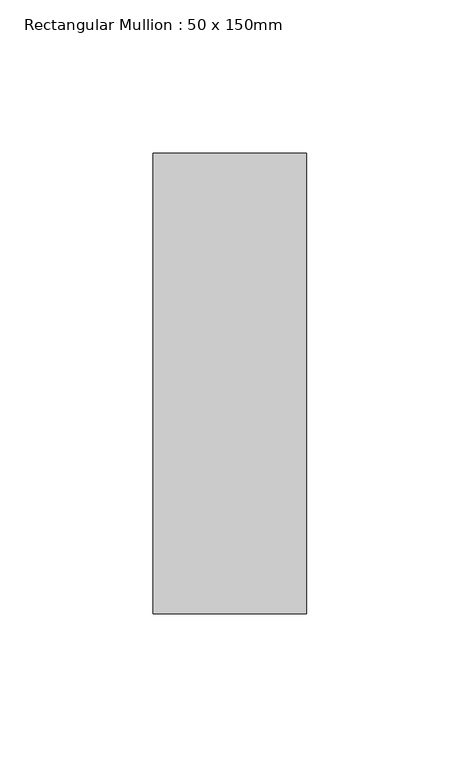
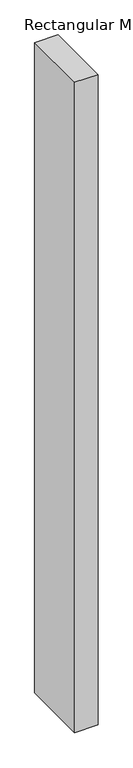
"""IFC4 building model written with IfcOpenShell, lengths in millimetres: member geometry, Rectangular Mullion : 50 x 150mm."""

import ifcopenshell
import ifcopenshell.guid

model = None  # the IFC model being written
_history = None  # IfcOwnerHistory: only IFC2X3 demands one
_inside = {}  # id of a spatial element -> (the spatial element, [elements in it])
_under = {}  # id of a project, library or spatial element -> (it, [spatial elements below it])
_declared = {}  # id of a project -> (the project, [libraries it declares])
_typed = {}  # id of a type object -> (the type object, [elements of that type])
_made_of = {}  # id of a material, layer set ... -> (it, [elements and type objects made of it])


def new_model(schema):
    """Start an empty IFC model of exactly this schema.

    Asked for "IFC4X3", IfcOpenShell would pick the latest addendum, in which some entities
    have other attributes; the version numbers below select the first issue.
    IFC2X3 requires an IfcOwnerHistory on every rooted entity: one is made here for all.
    """
    global model, _history
    if schema == "IFC4X3":
        model = ifcopenshell.file(schema_version=(4, 3, 0, 0))
    else:
        model = ifcopenshell.file(schema=schema)
    _inside.clear()
    _under.clear()
    _declared.clear()
    _typed.clear()
    _made_of.clear()
    _history = None
    if model.schema == "IFC2X3":
        org = make("IfcOrganization", Name="unknown")
        user = make(
            "IfcPersonAndOrganization",
            ThePerson=make("IfcPerson", FamilyName="unknown"),
            TheOrganization=org,
        )
        app = make(
            "IfcApplication",
            ApplicationDeveloper=org,
            Version="unknown",
            ApplicationFullName="unknown",
            ApplicationIdentifier="unknown",
        )
        _history = make(
            "IfcOwnerHistory",
            OwningUser=user,
            OwningApplication=app,
            ChangeAction="ADDED",
            CreationDate=0,
        )
    return model


def make(cls, **values):
    """One entity of the class cls with the attributes given. An attribute that is None is left unset."""
    return model.create_entity(
        cls, **{name: value for name, value in values.items() if value is not None}
    )


def rooted(cls, **values):
    """An entity with a GlobalId (a new one), such as an element, a storey or a relation."""
    return make(cls, GlobalId=ifcopenshell.guid.new(), OwnerHistory=_history, **values)


def si_unit(unit_type, name, prefix=None):
    """IfcSIUnit, for example si_unit("LENGTHUNIT", "METRE", prefix="MILLI")."""
    return make("IfcSIUnit", UnitType=unit_type, Prefix=prefix, Name=name)


def assignment(units):
    """IfcUnitAssignment: the units of a project."""
    return None if units is None else make("IfcUnitAssignment", Units=units)


def point(xyz):
    """IfcCartesianPoint."""
    return None if xyz is None else make("IfcCartesianPoint", Coordinates=xyz)


def direction(xyz):
    """IfcDirection."""
    return None if xyz is None else make("IfcDirection", DirectionRatios=xyz)


def frame(location, z_axis=None, x_axis=None):
    """IfcAxis2Placement3D, a coordinate frame: its origin and axes. An axis left out is left unset."""
    return make(
        "IfcAxis2Placement3D",
        Location=point(location),
        Axis=direction(z_axis),
        RefDirection=direction(x_axis),
    )


def origin():
    """The frame at (0, 0, 0) with its axes left unset."""
    return frame((0.0, 0.0, 0.0))


def place(relative_to, where):
    """IfcLocalPlacement: puts the frame where relative to a parent placement (None: the world)."""
    return make(
        "IfcLocalPlacement", PlacementRelTo=relative_to, RelativePlacement=where
    )


def context(
    kind, dimensions, precision=None, world=None, true_north=None, identifier=None
):
    """IfcGeometricRepresentationContext, for example the 3D "Model" context."""
    return make(
        "IfcGeometricRepresentationContext",
        ContextIdentifier=identifier,
        ContextType=kind,
        CoordinateSpaceDimension=dimensions,
        Precision=precision,
        WorldCoordinateSystem=world,
        TrueNorth=true_north,
    )


def project(units=None, contexts=None):
    """IfcProject with its units and contexts."""
    return rooted(
        "IfcProject",
        Name="project",
        RepresentationContexts=contexts,
        UnitsInContext=assignment(units),
    )


def spatial(cls, under=None, at=None, **own):
    """A site, building, storey or space (cls), placed at a placement, below another one or the project."""
    s = rooted(cls, ObjectPlacement=at, **own)
    if under is not None:
        _under.setdefault(under.id(), (under, []))[1].append(s)
    return s


def polyline(points):
    """IfcPolyline through the points."""
    return make("IfcPolyline", Points=[point(p) for p in points])


def outline(outer, holes=None, kind="AREA"):
    """IfcArbitraryClosedProfileDef: a profile drawn as a closed curve; with holes, ...WithVoids."""
    if holes is None:
        return make("IfcArbitraryClosedProfileDef", ProfileType=kind, OuterCurve=outer)
    return make(
        "IfcArbitraryProfileDefWithVoids",
        ProfileType=kind,
        OuterCurve=outer,
        InnerCurves=holes,
    )


def extrude(swept, where, along, depth):
    """IfcExtrudedAreaSolid: the profile swept, set in the frame where, extruded along a direction by depth."""
    return make(
        "IfcExtrudedAreaSolid",
        SweptArea=swept,
        Position=where,
        ExtrudedDirection=direction(along),
        Depth=depth,
    )


def shape(context_of_items, identifier, shape_type, items):
    """IfcShapeRepresentation: the items that make up one representation, for example the "Body"."""
    return make(
        "IfcShapeRepresentation",
        ContextOfItems=context_of_items,
        RepresentationIdentifier=identifier,
        RepresentationType=shape_type,
        Items=items,
    )


def source(mapping_origin, context_of_items, identifier, shape_type, items):
    """IfcRepresentationMap: a shape defined once, which mapped items show again and again."""
    return make(
        "IfcRepresentationMap",
        MappingOrigin=mapping_origin,
        MappedRepresentation=shape(context_of_items, identifier, shape_type, items),
    )


def transform(
    local_origin,
    x_axis=None,
    y_axis=None,
    z_axis=None,
    scale=None,
    scale2=None,
    scale3=None,
    uniform=True,
):
    """IfcCartesianTransformationOperator3D, or its non-uniform kind. x_axis, y_axis, z_axis: its Axis1, 2, 3."""
    if uniform:
        return make(
            "IfcCartesianTransformationOperator3D",
            Axis1=direction(x_axis),
            Axis2=direction(y_axis),
            LocalOrigin=point(local_origin),
            Scale=scale,
            Axis3=direction(z_axis),
        )
    return make(
        "IfcCartesianTransformationOperator3DnonUniform",
        Axis1=direction(x_axis),
        Axis2=direction(y_axis),
        LocalOrigin=point(local_origin),
        Scale=scale,
        Axis3=direction(z_axis),
        Scale2=scale2,
        Scale3=scale3,
    )


def mapped(mapping_source, mapping_target):
    """IfcMappedItem: shows the shape of a source again, moved by a transform."""
    return make(
        "IfcMappedItem", MappingSource=mapping_source, MappingTarget=mapping_target
    )


def made_of(thing, what):
    """Note that an element or type object is made of a material, layer set ...; save() writes the relation."""
    if what is not None:
        _made_of.setdefault(what.id(), (what, []))[1].append(thing)
    return thing


def element(
    cls,
    number,
    at=None,
    inside=None,
    cuts=None,
    type_object=None,
    material=None,
    context=None,
    identifier="Body",
    shape_type=None,
    held_by="IfcProductDefinitionShape",
    body=None,
    shapes=None,
    **own,
):
    """One element of the class cls, such as IfcWall. Its Tag is "e" and its number.

    at: its placement. inside: the storey or other place that contains it. cuts: it is an
    opening in that element (IfcRelVoidsElement). A single representation is given by context,
    identifier, shape_type and body (its items); several are given by shapes. held_by: the class
    of the entity that holds the representations. save() writes the other relations.
    """
    e = rooted(cls, Tag="e%d" % number, ObjectPlacement=at, **own)
    if body is not None:
        shapes = [shape(context, identifier, shape_type, body)]
    if shapes is not None:
        e.Representation = make(held_by, Representations=shapes)
    if inside is not None:
        _inside.setdefault(inside.id(), (inside, []))[1].append(e)
    if cuts is not None:
        rooted(
            "IfcRelVoidsElement", RelatingBuildingElement=cuts, RelatedOpeningElement=e
        )
    if type_object is not None:
        _typed.setdefault(type_object.id(), (type_object, []))[1].append(e)
    return made_of(e, material)


def aggregate(whole, parts):
    """IfcRelAggregates: a whole, such as a stair, and the parts it consists of."""
    return rooted("IfcRelAggregates", RelatingObject=whole, RelatedObjects=parts)


def save(model, path):
    """Write the relations noted so far, then the file.

    IfcRelAggregates (storeys below a building ...), IfcRelContainedInSpatialStructure (elements
    in a storey), IfcRelDefinesByType, IfcRelAssociatesMaterial and IfcRelDeclares: one each for
    every whole, place, type object, material and project.
    """
    for whole, parts in _under.values():
        aggregate(whole, parts)
    for where, things in _inside.values():
        rooted(
            "IfcRelContainedInSpatialStructure",
            RelatedElements=things,
            RelatingStructure=where,
        )
    for kind, things in _typed.values():
        rooted("IfcRelDefinesByType", RelatedObjects=things, RelatingType=kind)
    for what, things in _made_of.values():
        rooted("IfcRelAssociatesMaterial", RelatedObjects=things, RelatingMaterial=what)
    for by, libraries in _declared.values():
        rooted("IfcRelDeclares", RelatingContext=by, RelatedDefinitions=libraries)
    model.write(path)


def rectangular_mullion_50_x_150mm_aa73aa68(model_context):
    return source(origin(), model_context, "Body", "SweptSolid", [
        extrude(outline(polyline([(25.0, 75.0), (25.0, -75.0), (-25.0, -75.0), (-25.0, 75.0), (25.0, 75.0)])), frame((0.0, 0.0, -1486.638566), z_axis=(0.0, 0.0, 1.0), x_axis=(1.0, 0.0, 0.0)), (0.0, 0.0, 1.0), 1486.638566),
    ])


if __name__ == "__main__":
    model = new_model("IFC4")
    model_context = context("Model", 3, world=origin())
    ifc_project = project(units=[si_unit("LENGTHUNIT", "METRE", prefix="MILLI")], contexts=[model_context])
    site = spatial("IfcSite", under=ifc_project)
    building = spatial("IfcBuilding", under=site)
    placement = place(None, origin())
    rectangular_mullion_50_x_150mm_shape = rectangular_mullion_50_x_150mm_aa73aa68(model_context)
    element("IfcMember", 1, ObjectType="Rectangular Mullion : 50 x 150mm", at=placement, inside=building, context=model_context, shape_type="MappedRepresentation", body=[
        mapped(rectangular_mullion_50_x_150mm_shape, transform((0.0, 0.0, 0.0), x_axis=(1.0, 0.0, 0.0), y_axis=(0.0, 1.0, 0.0), z_axis=(0.0, 0.0, 1.0))),
    ])
    save(model, "model.ifc")
